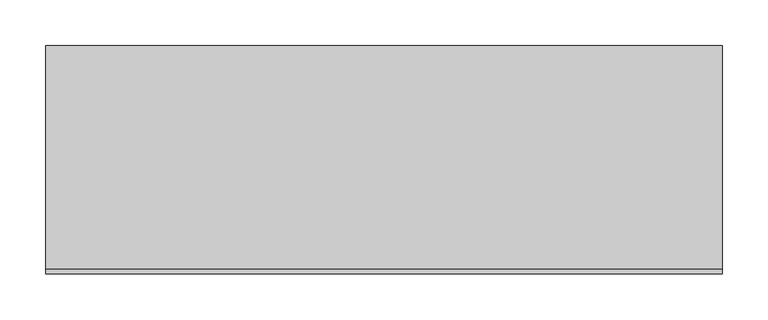
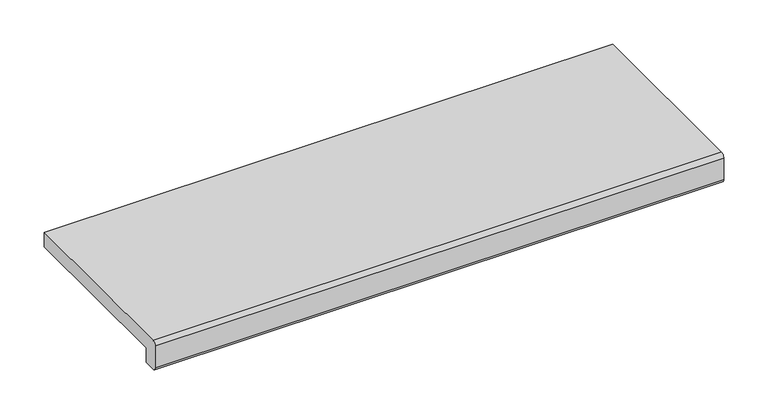
"""IFC4 building model written with IfcOpenShell, lengths in millimetres: proxy geometry."""

from ifc_helpers import new_model, si_unit, point, frame, frame_2d, origin, place, context, project, spatial, polyline, circle_curve, trimmed, segment, composite_curve, outline, extrude, source, transform, mapped, element, save


def generic_models_ca571b01(model_context):
    return source(origin(), model_context, "Body", "SweptSolid", [
        extrude(outline(composite_curve([segment(polyline([(-245.0, 30.0), (0.0, 30.0), (0.0, 10.0), (-230.0, 10.0), (-230.0, -10.0), (-245.0, -10.0)]), True, "CONTINUOUS"), segment(trimmed(circle_curve(frame_2d((-245.0, -5.0)), 5.0), [point((-245.0, -10.0))], [point((-250.0, -5.0))], False, "CARTESIAN"), True, "CONTINUOUS"), segment(polyline([(-250.0, -5.0), (-250.0, 25.0)]), True, "CONTINUOUS"), segment(trimmed(circle_curve(frame_2d((-245.0, 25.0)), 5.0), [point((-250.0, 25.0))], [point((-245.0, 30.0))], False, "CARTESIAN"), True, "CONTINUOUS")], self_intersect=False)), frame((-370.0, 0.0, 0.0), z_axis=(1.0, 0.0, 0.0), x_axis=(0.0, 1.0, 0.0)), (0.0, 0.0, 1.0), 740.0),
    ])


if __name__ == "__main__":
    model = new_model("IFC4")
    model_context = context("Model", 3, world=origin())
    ifc_project = project(units=[si_unit("LENGTHUNIT", "METRE", prefix="MILLI")], contexts=[model_context])
    site = spatial("IfcSite", under=ifc_project)
    building = spatial("IfcBuilding", under=site)
    placement = place(None, origin())
    generic_models_shape = generic_models_ca571b01(model_context)
    element("IfcBuildingElementProxy", 1, Name="Generic Models", at=placement, inside=building, context=model_context, shape_type="MappedRepresentation", body=[
        mapped(generic_models_shape, transform((0.0, 0.0, 0.0), x_axis=(1.0, 0.0, 0.0), y_axis=(0.0, 1.0, 0.0), z_axis=(0.0, 0.0, 1.0))),
    ])
    save(model, "model.ifc")
